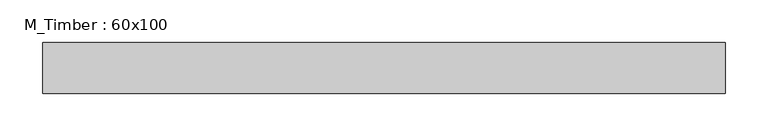
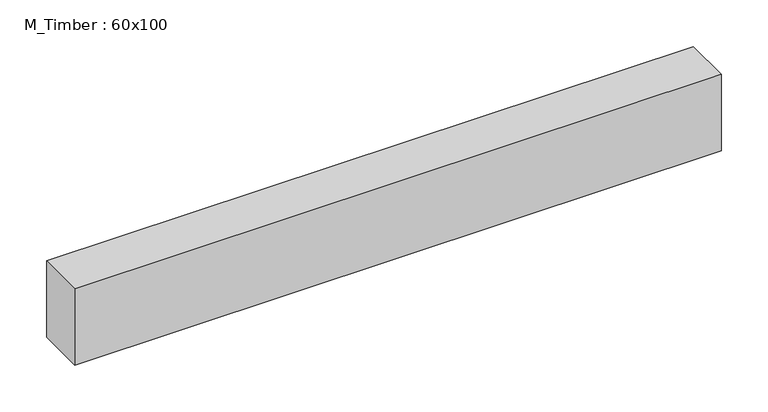
"""IFC4 building model written with IfcOpenShell, lengths in millimetres: beam geometry, M_Timber : 60x100."""

from ifc_helpers import new_model, si_unit, frame, origin, place, context, project, spatial, polyline, outline, extrude, source, transform, mapped, element, save


def m_timber_60x100_0d82f694(model_context):
    return source(origin(), model_context, "Body", "SweptSolid", [
        extrude(outline(polyline([(400.2354153, 30.0), (400.2354153, -30.0), (-400.2354153, -30.0), (-400.2354153, 30.0), (400.2354153, 30.0)])), frame((0.0, 0.0, -50.0), z_axis=(0.0, 0.0, 1.0), x_axis=(1.0, 0.0, 0.0)), (0.0, 0.0, 1.0), 100.0),
    ])


if __name__ == "__main__":
    model = new_model("IFC4")
    model_context = context("Model", 3, world=origin())
    ifc_project = project(units=[si_unit("LENGTHUNIT", "METRE", prefix="MILLI")], contexts=[model_context])
    site = spatial("IfcSite", under=ifc_project)
    building = spatial("IfcBuilding", under=site)
    placement = place(None, origin())
    m_timber_60x100_shape = m_timber_60x100_0d82f694(model_context)
    element("IfcBeam", 1, ObjectType="M_Timber : 60x100", at=placement, inside=building, context=model_context, shape_type="MappedRepresentation", body=[
        mapped(m_timber_60x100_shape, transform((0.0, 0.0, 0.0), x_axis=(1.0, 0.0, 0.0), y_axis=(0.0, 1.0, 0.0), z_axis=(0.0, 0.0, 1.0))),
    ])
    save(model, "model.ifc")
